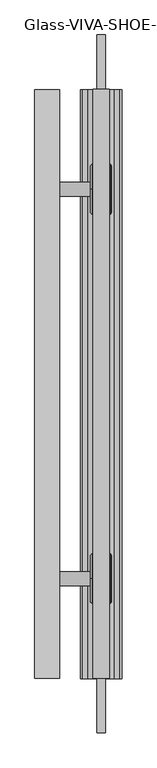
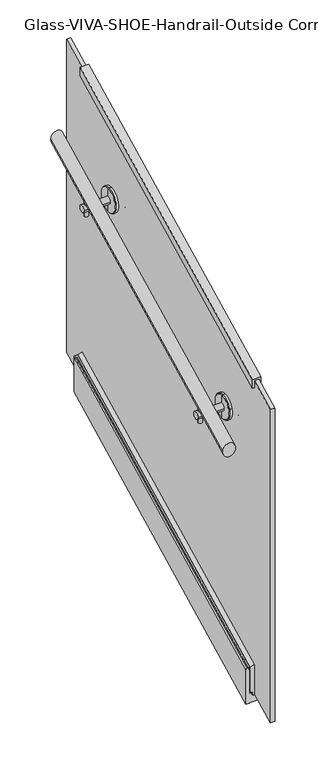
"""IFC4 building model written with IfcOpenShell, lengths in millimetres: railing geometry, Glass-VIVA-SHOE-Handrail-Outside Corner."""

from ifc_helpers import new_model, si_unit, point, frame, frame_2d, origin, place, context, project, spatial, polyline, circle_curve, ellipse_curve, trimmed, segment, composite_curve, outline, extrude, faceted_brep, source, transform, mapped, element, save
from ifc_brep_helpers import plane_surface, cylinder_surface, revolved_surface, advanced_brep


def glass_viva_shoe_handrail_outside_corner_ea27aaab(model_context):
    return source(origin(), model_context, "Body", "SolidModel", [
        advanced_brep(
        [(-7963.1514824, 587.324143, -311.9922533), (-7953.6264824, 587.324143, -311.9922533), (-7953.6264824, 587.324143, -310.2173743), (-7909.1764824, 587.324143, -310.2173743), (-7909.1764824, 587.324143, -311.9922533), (-7899.6514824, 587.324143, -311.9922533), (-7899.6514824, 587.324143, -201.9497579), (-7902.8264824, 587.324143, -198.4), (-7910.7639824, 587.324143, -198.4), (-7910.7639824, 587.324143, -201.9497579), (-7910.7639824, 587.324143, -205.4995158), (-7910.7639824, 587.324143, -280.044432), (-7918.7014824, 587.324143, -280.044432), (-7918.7014824, 587.324143, -287.1439479), (-7921.8764824, 587.324143, -290.6937058), (-7940.9264824, 587.324143, -290.6937058), (-7944.1014824, 587.324143, -287.1439479), (-7944.1014824, 587.324143, -280.044432), (-7952.0389824, 587.324143, -280.044432), (-7952.0389824, 587.324143, -205.4995158), (-7952.0389824, 587.324143, -201.9497579), (-7952.0389824, 587.324143, -198.4), (-7959.9764824, 587.324143, -198.4), (-7963.1514824, 587.324143, -201.9497579), (-7963.1514824, 1487.324143, 138.0077467), (-7963.1514824, 1487.324143, 248.0502421), (-7959.9764824, 1487.324143, 251.6), (-7952.0389824, 1487.324143, 251.6), (-7952.0389824, 1487.324143, 248.0502421), (-7952.0389824, 1487.324143, 244.5004842), (-7952.0389824, 1487.324143, 169.955568), (-7944.1014824, 1487.324143, 169.955568), (-7944.1014824, 1487.324143, 162.8560521), (-7940.9264824, 1487.324143, 159.3062942), (-7921.8764824, 1487.324143, 159.3062942), (-7918.7014824, 1487.324143, 162.8560521), (-7918.7014824, 1487.324143, 169.955568), (-7910.7639824, 1487.324143, 169.955568), (-7910.7639824, 1487.324143, 244.5004842), (-7910.7639824, 1487.324143, 248.0502421), (-7910.7639824, 1487.324143, 251.6), (-7902.8264824, 1487.324143, 251.6), (-7899.6514824, 1487.324143, 248.0502421), (-7899.6514824, 1487.324143, 138.0077467), (-7909.1764824, 1487.324143, 138.0077467), (-7909.1764824, 1487.324143, 139.7826257), (-7953.6264824, 1487.324143, 139.7826257), (-7953.6264824, 1487.324143, 138.0077467)],
        [
            (0, 1),
            (1, 2),
            (2, 3),
            (3, 4),
            (4, 5),
            (5, 6),
            (6, 7, ellipse_curve(frame((-7902.8264824, 587.324143, -201.9497579), z_axis=(0.0, -1.0, 0.0), x_axis=(0.0, 0.0, -1.0)), 3.5497579, 3.175)),
            (7, 8),
            (8, 9),
            (9, 10, ellipse_curve(frame((-7910.7639824, 587.324143, -203.7246369), z_axis=(0.0, 1.0, 0.0), x_axis=(0.0, 0.0, 1.0)), 1.774879, 1.5875)),
            (10, 11),
            (11, 12),
            (12, 13),
            (13, 14, ellipse_curve(frame((-7921.8764824, 587.324143, -287.1439479), z_axis=(0.0, 1.0, 0.0), x_axis=(0.0, 0.0, 1.0)), 3.5497579, 3.175)),
            (14, 15),
            (15, 16, ellipse_curve(frame((-7940.9264824, 587.324143, -287.1439479), z_axis=(0.0, 1.0, 0.0), x_axis=(0.0, 0.0, 1.0)), 3.5497579, 3.175)),
            (16, 17),
            (17, 18),
            (18, 19),
            (19, 20, ellipse_curve(frame((-7952.0389824, 587.324143, -203.7246369), z_axis=(0.0, 1.0, 0.0), x_axis=(0.0, 0.0, 1.0)), 1.774879, 1.5875)),
            (20, 21),
            (21, 22),
            (22, 23, ellipse_curve(frame((-7959.9764824, 587.324143, -201.9497579), z_axis=(0.0, -1.0, 0.0), x_axis=(0.0, 0.0, -1.0)), 3.5497579, 3.175)),
            (23, 0),
            (24, 25),
            (25, 26, ellipse_curve(frame((-7959.9764824, 1487.324143, 248.0502421), z_axis=(0.0, 1.0, 0.0), x_axis=(0.0, 0.0, -1.0)), 3.5497579, 3.175)),
            (26, 27),
            (27, 28),
            (28, 29, ellipse_curve(frame((-7952.0389824, 1487.324143, 246.2753631), z_axis=(0.0, -1.0, 0.0), x_axis=(0.0, 0.0, 1.0)), 1.774879, 1.5875)),
            (29, 30),
            (30, 31),
            (31, 32),
            (32, 33, ellipse_curve(frame((-7940.9264824, 1487.324143, 162.8560521), z_axis=(0.0, -1.0, 0.0), x_axis=(0.0, 0.0, 1.0)), 3.5497579, 3.175)),
            (33, 34),
            (34, 35, ellipse_curve(frame((-7921.8764824, 1487.324143, 162.8560521), z_axis=(0.0, -1.0, 0.0), x_axis=(0.0, 0.0, 1.0)), 3.5497579, 3.175)),
            (35, 36),
            (36, 37),
            (37, 38),
            (38, 39, ellipse_curve(frame((-7910.7639824, 1487.324143, 246.2753631), z_axis=(0.0, -1.0, 0.0), x_axis=(0.0, 0.0, 1.0)), 1.774879, 1.5875)),
            (39, 40),
            (40, 41),
            (41, 42, ellipse_curve(frame((-7902.8264824, 1487.324143, 248.0502421), z_axis=(0.0, 1.0, 0.0), x_axis=(0.0, 0.0, -1.0)), 3.5497579, 3.175)),
            (42, 43),
            (43, 44),
            (44, 45),
            (45, 46),
            (46, 47),
            (47, 24),
            (0, 24),
            (47, 1),
            (46, 2),
            (45, 3),
            (44, 4),
            (43, 5),
            (42, 6),
            (41, 7),
            (40, 8),
            (39, 9),
            (38, 10),
            (37, 11),
            (36, 12),
            (35, 13),
            (34, 14),
            (33, 15),
            (32, 16),
            (31, 17),
            (30, 18),
            (29, 19),
            (28, 20),
            (27, 21),
            (26, 22),
            (25, 23),
        ],
        [
            plane_surface(frame((-7931.4014824, 587.324143, -198.4), z_axis=(0.0, -1.0, 0.0), x_axis=(0.0, 0.0, 1.0))),
            plane_surface(frame((-7931.4014824, 1487.324143, 251.6), z_axis=(0.0, 1.0, 0.0), x_axis=(0.0, 0.0, 1.0))),
            plane_surface(frame((-7963.1514824, 587.324143, -311.9922533), z_axis=(0.0, 0.447213595499958, -0.894427190999916), x_axis=(0.0, 0.894427190999916, 0.447213595499958))),
            plane_surface(frame((-7953.6264824, 587.324143, -311.9922533), z_axis=(1.0000000000000002, 0.0, 0.0), x_axis=(0.0, 0.894427190999916, 0.447213595499958))),
            plane_surface(frame((-7953.6264824, 587.324143, -310.2173743), z_axis=(0.0, 0.447213595499958, -0.894427190999916), x_axis=(0.0, 0.894427190999916, 0.447213595499958))),
            plane_surface(frame((-7909.1764824, 587.324143, -310.2173743), z_axis=(-1.0000000000000002, 0.0, 0.0), x_axis=(0.0, 0.894427190999916, 0.447213595499958))),
            plane_surface(frame((-7909.1764824, 587.324143, -311.9922533), z_axis=(0.0, 0.447213595499958, -0.894427190999916), x_axis=(0.0, 0.894427190999916, 0.447213595499958))),
            plane_surface(frame((-7899.6514824, 587.324143, -311.9922533), z_axis=(1.0000000000000002, 0.0, 0.0), x_axis=(0.0, 0.894427190999916, 0.447213595499958))),
            cylinder_surface(frame((-7902.8264824, 588.7440462, -201.2398063), z_axis=(0.0, -0.894427190999916, -0.447213595499958), x_axis=(-1.0, 0.0, 0.0)), 3.175),
            plane_surface(frame((-7902.8264824, 587.324143, -198.4), z_axis=(0.0, -0.447213595499958, 0.894427190999916), x_axis=(0.0, 0.894427190999916, 0.447213595499958))),
            plane_surface(frame((-7910.7639824, 587.324143, -198.4), z_axis=(-1.0000000000000002, 0.0, 0.0), x_axis=(0.0, 0.894427190999916, 0.447213595499958))),
            revolved_surface(polyline([(-7912.351482399999, 1488.0340946000001, 246.6303389000001), (-7912.351482399999, 586.6141914, -204.07961269999998)]), (-7910.7639824, 589.4539978, -202.6597095), (0.0, 0.894427190999916, 0.447213595499958)),
            plane_surface(frame((-7910.7639824, 587.324143, -205.4995158), z_axis=(-1.0000000000000002, 0.0, 0.0), x_axis=(0.0, 0.894427190999916, 0.447213595499958))),
            plane_surface(frame((-7910.7639824, 587.324143, -280.044432), z_axis=(0.0, -0.447213595499958, 0.894427190999916), x_axis=(0.0, 0.894427190999916, 0.447213595499958))),
            plane_surface(frame((-7918.7014824, 587.324143, -280.044432), z_axis=(-1.0000000000000002, 0.0, 0.0), x_axis=(0.0, 0.894427190999916, 0.447213595499958))),
            revolved_surface(polyline([(-7925.0514824, 1488.7440461600002, 163.5660036800001), (-7925.0514824, 585.9042398400001, -287.85389947999994)]), (-7921.8764824, 622.8217222, -269.3951583), (0.0, 0.894427190999916, 0.447213595499958)),
            plane_surface(frame((-7921.8764824, 587.324143, -290.6937058), z_axis=(0.0, -0.447213595499958, 0.894427190999916), x_axis=(0.0, 0.894427190999916, 0.447213595499958))),
            revolved_surface(polyline([(-7937.7514824, 1488.7440461600002, 163.5660036800001), (-7937.7514824, 585.9042398400001, -287.85389947999994)]), (-7940.9264824, 622.8217222, -269.3951583), (0.0, 0.894427190999916, 0.447213595499958)),
            plane_surface(frame((-7944.1014824, 587.324143, -287.1439479), z_axis=(1.0000000000000002, 0.0, 0.0), x_axis=(0.0, 0.894427190999916, 0.447213595499958))),
            plane_surface(frame((-7944.1014824, 587.324143, -280.044432), z_axis=(0.0, -0.447213595499958, 0.894427190999916), x_axis=(0.0, 0.894427190999916, 0.447213595499958))),
            plane_surface(frame((-7952.0389824, 587.324143, -280.044432), z_axis=(1.0000000000000002, 0.0, 0.0), x_axis=(0.0, 0.894427190999916, 0.447213595499958))),
            revolved_surface(polyline([(-7950.451482400001, 1488.0340946000001, 246.6303389000001), (-7950.451482400001, 586.6141914, -204.07961269999998)]), (-7952.0389824, 589.4539978, -202.6597095), (0.0, 0.894427190999916, 0.447213595499958)),
            plane_surface(frame((-7952.0389824, 587.324143, -201.9497579), z_axis=(1.0000000000000002, 0.0, 0.0), x_axis=(0.0, 0.894427190999916, 0.447213595499958))),
            plane_surface(frame((-7952.0389824, 587.324143, -198.4), z_axis=(0.0, -0.447213595499958, 0.894427190999916), x_axis=(0.0, 0.894427190999916, 0.447213595499958))),
            cylinder_surface(frame((-7959.9764824, 588.7440462, -201.2398063), z_axis=(0.0, -0.894427190999916, -0.447213595499958), x_axis=(1.0, 0.0, 0.0)), 3.175),
            plane_surface(frame((-7963.1514824, 587.324143, -201.9497579), z_axis=(-1.0000000000000002, 0.0, 0.0), x_axis=(0.0, 0.894427190999916, 0.4472135954999579))),
        ],
        [
            (0, [[1, 2, 3, 4, 5, 6, 7, 8, 9, 10, 11, 12, 13, 14, 15, 16, 17, 18, 19, 20, 21, 22, 23, 24]]),
            (1, [[25, 26, 27, 28, 29, 30, 31, 32, 33, 34, 35, 36, 37, 38, 39, 40, 41, 42, 43, 44, 45, 46, 47, 48]]),
            (2, [[-1, 49, -48, 50]]),
            (3, [[-2, -50, -47, 51]]),
            (4, [[-3, -51, -46, 52]]),
            (5, [[-4, -52, -45, 53]]),
            (6, [[-5, -53, -44, 54]]),
            (7, [[-6, -54, -43, 55]]),
            (8, [[-7, -55, -42, 56]]),
            (9, [[-8, -56, -41, 57]]),
            (10, [[-9, -57, -40, 58]]),
            (11, [[-10, -58, -39, 59]]),
            (12, [[-11, -59, -38, 60]]),
            (13, [[-12, -60, -37, 61]]),
            (14, [[-13, -61, -36, 62]]),
            (15, [[-14, -62, -35, 63]]),
            (16, [[-15, -63, -34, 64]]),
            (17, [[-16, -64, -33, 65]]),
            (18, [[-17, -65, -32, 66]]),
            (19, [[-18, -66, -31, 67]]),
            (20, [[-19, -67, -30, 68]]),
            (21, [[-20, -68, -29, 69]]),
            (22, [[-21, -69, -28, 70]]),
            (23, [[-22, -70, -27, 71]]),
            (24, [[-23, -71, -26, 72]]),
            (25, [[-24, -72, -25, -49]]),
        ],
    ),
        advanced_brep(
        [(-7910.7639824, 587.324143, -280.044432), (-7910.7639824, 587.324143, -205.4995158), (-7910.7639824, 587.324143, -201.9497579), (-7910.7639824, 587.324143, -198.4), (-7925.0514824, 587.324143, -194.8502421), (-7925.0514824, 587.324143, -287.1439479), (-7937.7514824, 587.324143, -287.1439479), (-7937.7514824, 587.324143, -194.8502421), (-7952.0389824, 587.324143, -198.4), (-7952.0389824, 587.324143, -201.9497579), (-7952.0389824, 587.324143, -205.4995158), (-7952.0389824, 587.324143, -280.044432), (-7944.1014824, 587.324143, -280.044432), (-7944.1014824, 587.324143, -290.6937058), (-7918.7014824, 587.324143, -290.6937058), (-7918.7014824, 587.324143, -280.044432), (-7910.7639824, 1487.324143, 169.955568), (-7918.7014824, 1487.324143, 169.955568), (-7918.7014824, 1487.324143, 159.3062942), (-7944.1014824, 1487.324143, 159.3062942), (-7944.1014824, 1487.324143, 169.955568), (-7952.0389824, 1487.324143, 169.955568), (-7952.0389824, 1487.324143, 244.5004842), (-7952.0389824, 1487.324143, 248.0502421), (-7952.0389824, 1487.324143, 251.6), (-7937.7514824, 1487.324143, 255.1497579), (-7937.7514824, 1487.324143, 162.8560521), (-7925.0514824, 1487.324143, 162.8560521), (-7925.0514824, 1487.324143, 255.1497579), (-7910.7639824, 1487.324143, 251.6), (-7910.7639824, 1487.324143, 248.0502421), (-7910.7639824, 1487.324143, 244.5004842)],
        [
            (0, 1),
            (1, 2, ellipse_curve(frame((-7910.7639824, 587.324143, -203.7246369), z_axis=(0.0, -1.0, 0.0), x_axis=(0.0, 0.0, -1.0)), 1.774879, 1.5875)),
            (2, 3),
            (3, 4),
            (4, 5),
            (5, 6),
            (6, 7),
            (7, 8),
            (8, 9),
            (9, 10, ellipse_curve(frame((-7952.0389824, 587.324143, -203.7246369), z_axis=(0.0, -1.0, 0.0), x_axis=(0.0, 0.0, -1.0)), 1.774879, 1.5875)),
            (10, 11),
            (11, 12),
            (12, 13),
            (13, 14),
            (14, 15),
            (15, 0),
            (16, 17),
            (17, 18),
            (18, 19),
            (19, 20),
            (20, 21),
            (21, 22),
            (22, 23, ellipse_curve(frame((-7952.0389824, 1487.324143, 246.2753631), z_axis=(0.0, 1.0, 0.0), x_axis=(0.0, 0.0, -1.0)), 1.774879, 1.5875)),
            (23, 24),
            (24, 25),
            (25, 26),
            (26, 27),
            (27, 28),
            (28, 29),
            (29, 30),
            (30, 31, ellipse_curve(frame((-7910.7639824, 1487.324143, 246.2753631), z_axis=(0.0, 1.0, 0.0), x_axis=(0.0, 0.0, -1.0)), 1.774879, 1.5875)),
            (31, 16),
            (0, 16),
            (31, 1),
            (30, 2),
            (29, 3),
            (28, 4),
            (27, 5),
            (26, 6),
            (25, 7),
            (24, 8),
            (23, 9),
            (22, 10),
            (21, 11),
            (20, 12),
            (19, 13),
            (18, 14),
            (17, 15),
        ],
        [
            plane_surface(frame((-7931.4014824, 587.324143, -198.4), z_axis=(0.0, -1.0, 0.0), x_axis=(0.0, 0.0, 1.0))),
            plane_surface(frame((-7931.4014824, 1487.324143, 251.6), z_axis=(0.0, 1.0, 0.0), x_axis=(0.0, 0.0, 1.0))),
            plane_surface(frame((-7910.7639824, 587.324143, -280.044432), z_axis=(1.0000000000000002, 0.0, 0.0), x_axis=(0.0, 0.894427190999916, 0.447213595499958))),
            cylinder_surface(frame((-7910.7639824, 589.4539978, -202.6597095), z_axis=(0.0, -0.894427190999916, -0.447213595499958), x_axis=(-1.0, 0.0, 0.0)), 1.5875),
            plane_surface(frame((-7910.7639824, 587.324143, -201.9497579), z_axis=(1.0000000000000002, 0.0, 0.0), x_axis=(0.0, 0.894427190999916, 0.447213595499958))),
            plane_surface(frame((-7910.7639824, 587.324143, -198.4), z_axis=(0.21693045781865475, -0.43656412506539977, 0.873128250130799), x_axis=(0.0, 0.894427190999916, 0.447213595499958))),
            plane_surface(frame((-7925.0514824, 587.324143, -194.8502421), z_axis=(-1.0000000000000002, 0.0, 0.0), x_axis=(0.0, 0.894427190999916, 0.447213595499958))),
            plane_surface(frame((-7925.0514824, 587.324143, -287.1439479), z_axis=(0.0, -0.447213595499958, 0.894427190999916), x_axis=(0.0, 0.894427190999916, 0.447213595499958))),
            plane_surface(frame((-7937.7514824, 587.324143, -287.1439479), z_axis=(1.0000000000000002, 0.0, 0.0), x_axis=(0.0, 0.894427190999916, 0.447213595499958))),
            plane_surface(frame((-7937.7514824, 587.324143, -194.8502421), z_axis=(-0.21693045781865583, -0.4365641250653992, 0.873128250130799), x_axis=(0.0, 0.894427190999916, 0.447213595499958))),
            plane_surface(frame((-7952.0389824, 587.324143, -198.4), z_axis=(-1.0000000000000002, 0.0, 0.0), x_axis=(0.0, 0.894427190999916, 0.447213595499958))),
            cylinder_surface(frame((-7952.0389824, 589.4539978, -202.6597095), z_axis=(0.0, -0.894427190999916, -0.447213595499958), x_axis=(1.0, 0.0, 0.0)), 1.5875),
            plane_surface(frame((-7952.0389824, 587.324143, -205.4995158), z_axis=(-1.0000000000000002, 0.0, 0.0), x_axis=(0.0, 0.894427190999916, 0.447213595499958))),
            plane_surface(frame((-7952.0389824, 587.324143, -280.044432), z_axis=(0.0, 0.447213595499958, -0.894427190999916), x_axis=(0.0, 0.894427190999916, 0.447213595499958))),
            plane_surface(frame((-7944.1014824, 587.324143, -280.044432), z_axis=(-1.0000000000000002, 0.0, 0.0), x_axis=(0.0, 0.894427190999916, 0.447213595499958))),
            plane_surface(frame((-7944.1014824, 587.324143, -290.6937058), z_axis=(0.0, 0.447213595499958, -0.894427190999916), x_axis=(0.0, 0.894427190999916, 0.447213595499958))),
            plane_surface(frame((-7918.7014824, 587.324143, -290.6937058), z_axis=(1.0000000000000002, 0.0, 0.0), x_axis=(0.0, 0.894427190999916, 0.447213595499958))),
            plane_surface(frame((-7918.7014824, 587.324143, -280.044432), z_axis=(0.0, 0.447213595499958, -0.894427190999916), x_axis=(0.0, 0.894427190999916, 0.447213595499958))),
        ],
        [
            (0, [[1, 2, 3, 4, 5, 6, 7, 8, 9, 10, 11, 12, 13, 14, 15, 16]]),
            (1, [[17, 18, 19, 20, 21, 22, 23, 24, 25, 26, 27, 28, 29, 30, 31, 32]]),
            (2, [[-1, 33, -32, 34]]),
            (3, [[-2, -34, -31, 35]]),
            (4, [[-3, -35, -30, 36]]),
            (5, [[-4, -36, -29, 37]]),
            (6, [[-5, -37, -28, 38]]),
            (7, [[-6, -38, -27, 39]]),
            (8, [[-7, -39, -26, 40]]),
            (9, [[-8, -40, -25, 41]]),
            (10, [[-9, -41, -24, 42]]),
            (11, [[-10, -42, -23, 43]]),
            (12, [[-11, -43, -22, 44]]),
            (13, [[-12, -44, -21, 45]]),
            (14, [[-13, -45, -20, 46]]),
            (15, [[-14, -46, -19, 47]]),
            (16, [[-15, -47, -18, 48]]),
            (17, [[-16, -48, -17, -33]]),
        ],
    ),
        advanced_brep(
        [(-8033.0014824, 587.324143, 516.9014525), (-7994.9014824, 587.324143, 516.9014525), (-8033.0014824, 1487.324143, 966.9014525), (-7994.9014824, 1487.324143, 966.9014525)],
        [
            (0, 1, ellipse_curve(frame((-8013.9514824, 587.324143, 516.9014525), z_axis=(0.0, -1.0, 0.0), x_axis=(0.0, 0.0, -1.0)), 21.2985475, 19.05)),
            (1, 0, ellipse_curve(frame((-8013.9514824, 587.324143, 516.9014525), z_axis=(0.0, -1.0, 0.0), x_axis=(0.0, 0.0, -1.0)), 21.2985475, 19.05)),
            (2, 3, ellipse_curve(frame((-8013.9514824, 1487.324143, 966.9014525), z_axis=(0.0, 1.0, 0.0), x_axis=(0.0, 0.0, -1.0)), 21.2985475, 19.05)),
            (3, 2, ellipse_curve(frame((-8013.9514824, 1487.324143, 966.9014525), z_axis=(0.0, 1.0, 0.0), x_axis=(0.0, 0.0, -1.0)), 21.2985475, 19.05)),
            (0, 2),
            (3, 1),
        ],
        [
            plane_surface(frame((-8013.9514824, 587.324143, 538.2), z_axis=(0.0, -1.0, 0.0), x_axis=(0.0, 0.0, 1.0))),
            plane_surface(frame((-8013.9514824, 1487.324143, 988.2), z_axis=(0.0, 1.0, 0.0), x_axis=(0.0, 0.0, 1.0))),
            cylinder_surface(frame((-8013.9514824, 595.843562, 521.161162), z_axis=(0.0, -0.894427190999916, -0.4472135954999579), x_axis=(1.0, 0.0, 0.0)), 19.05),
        ],
        [
            (0, [[1, 2]]),
            (1, [[3, 4]]),
            (2, [[-1, 5, -4, 6]]),
            (2, [[-2, -6, -3, -5]]),
        ],
    ),
        faceted_brep([(-7944.1014824, 587.324143, 716.0), (-7944.1014824, 587.324143, 687.6019367), (-7937.7514824, 587.324143, 687.6019367), (-7937.7514824, 587.324143, 710.6753631), (-7925.0514824, 587.324143, 710.6753631), (-7925.0514824, 587.324143, 687.6019367), (-7918.7014824, 587.324143, 687.6019367), (-7918.7014824, 587.324143, 716.0), (-7944.1014824, 1487.324143, 1166.0), (-7918.7014824, 1487.324143, 1166.0), (-7918.7014824, 1487.324143, 1137.6019367), (-7925.0514824, 1487.324143, 1137.6019367), (-7925.0514824, 1487.324143, 1160.6753631), (-7937.7514824, 1487.324143, 1160.6753631), (-7937.7514824, 1487.324143, 1137.6019367), (-7944.1014824, 1487.324143, 1137.6019367)], [[[0, 1, 2, 3, 4, 5, 6, 7]], [[8, 9, 10, 11, 12, 13, 14, 15]], [[1, 0, 8, 15]], [[2, 1, 15, 14]], [[3, 2, 14, 13]], [[4, 3, 13, 12]], [[5, 4, 12, 11]], [[6, 5, 11, 10]], [[7, 6, 10, 9]], [[0, 7, 9, 8]]]),
        extrude(outline(polyline([(1570.724143, 204.5560521), (503.924143, -328.8439479), (503.924143, 668.9753631), (1570.724143, 1202.3753631), (1570.724143, 204.5560521)])), frame((-7937.7514824, 0.0, 0.0), z_axis=(1.0, 0.0, 0.0), x_axis=(0.0, 1.0, 0.0)), (0.0, 0.0, 1.0), 12.7),
        extrude(outline(composite_curve([segment(trimmed(circle_curve(frame_2d((-8013.9514824, 1334.924143)), 5.953125), [point((-8007.9983574, 1334.924143))], [point((-8019.9046074, 1334.924143))], False, "CARTESIAN"), True, "CONTINUOUS"), segment(trimmed(circle_curve(frame_2d((-8013.9514824, 1334.924143)), 5.953125), [point((-8019.9046074, 1334.924143))], [point((-8007.9983574, 1334.924143))], False, "CARTESIAN"), True, "CONTINUOUS")], self_intersect=False)), frame((0.0, 0.0, 810.4), z_axis=(0.0, 0.0, 1.0), x_axis=(1.0, 0.0, 0.0)), (0.0, 0.0, 1.0), 76.2),
        extrude(outline(composite_curve([segment(trimmed(circle_curve(frame_2d((1334.924143, 835.8)), 11.0132813), [point((1345.9374243, 835.8))], [point((1323.9108618, 835.8))], False, "CARTESIAN"), True, "CONTINUOUS"), segment(trimmed(circle_curve(frame_2d((1334.924143, 835.8)), 11.0132813), [point((1323.9108618, 835.8))], [point((1345.9374243, 835.8))], False, "CARTESIAN"), True, "CONTINUOUS")], self_intersect=False)), frame((-8026.6514824, 0.0, 0.0), z_axis=(1.0, 0.0, 0.0), x_axis=(0.0, 1.0, 0.0)), (0.0, 0.0, 1.0), 79.2757812),
        advanced_brep(
        [(-7915.4272636, 1334.924143, 835.8), (-7915.4272636, 1334.924143, 871.915625), (-7915.4272636, 1334.924143, 799.684375), (-7947.3757011, 1334.924143, 799.684375), (-7947.3757011, 1334.924143, 871.915625), (-7947.3757011, 1334.924143, 835.8), (-7945.3913261, 1334.924143, 797.7), (-7945.3913261, 1334.924143, 873.9), (-7937.7514824, 1334.924143, 797.7), (-7937.7514824, 1334.924143, 873.9), (-7937.7514824, 1334.924143, 823.1), (-7937.7514824, 1334.924143, 848.5), (-7925.0514824, 1334.924143, 823.1), (-7925.0514824, 1334.924143, 848.5), (-7925.0514824, 1334.924143, 797.7), (-7925.0514824, 1334.924143, 873.9), (-7917.4116386, 1334.924143, 797.7), (-7917.4116386, 1334.924143, 873.9)],
        [
            (0, 1),
            (1, 2, circle_curve(frame((-7915.4272636, 1334.924143, 835.8), z_axis=(1.0, 0.0, 0.0), x_axis=(0.0, 0.0, 1.0)), 36.115625)),
            (2, 0),
            (2, 1, circle_curve(frame((-7915.4272636, 1334.924143, 835.8), z_axis=(1.0, 0.0, 0.0), x_axis=(0.0, 0.0, 1.0)), 36.115625)),
            (3, 4, circle_curve(frame((-7947.3757011, 1334.924143, 835.8), z_axis=(-1.0, 0.0, 0.0), x_axis=(0.0, 0.0, 1.0)), 36.115625)),
            (4, 5),
            (5, 3),
            (4, 3, circle_curve(frame((-7947.3757011, 1334.924143, 835.8), z_axis=(-1.0, 0.0, 0.0), x_axis=(0.0, 0.0, 1.0)), 36.115625)),
            (6, 7, circle_curve(frame((-7945.3913261, 1334.924143, 835.8), z_axis=(-1.0, 0.0, 0.0), x_axis=(0.0, 0.0, 1.0)), 38.1)),
            (7, 4),
            (3, 6),
            (7, 6, circle_curve(frame((-7945.3913261, 1334.924143, 835.8), z_axis=(-1.0, 0.0, 0.0), x_axis=(0.0, 0.0, 1.0)), 38.1)),
            (8, 9, circle_curve(frame((-7937.7514824, 1334.924143, 835.8), z_axis=(-1.0, 0.0, 0.0), x_axis=(0.0, 0.0, 1.0)), 38.1)),
            (9, 7),
            (6, 8),
            (9, 8, circle_curve(frame((-7937.7514824, 1334.924143, 835.8), z_axis=(-1.0, 0.0, 0.0), x_axis=(0.0, 0.0, 1.0)), 38.1)),
            (10, 11, circle_curve(frame((-7937.7514824, 1334.924143, 835.8), z_axis=(-1.0, 0.0, 0.0), x_axis=(0.0, 0.0, 1.0)), 12.7)),
            (11, 9),
            (8, 10),
            (11, 10, circle_curve(frame((-7937.7514824, 1334.924143, 835.8), z_axis=(-1.0, 0.0, 0.0), x_axis=(0.0, 0.0, 1.0)), 12.7)),
            (12, 13, circle_curve(frame((-7925.0514824, 1334.924143, 835.8), z_axis=(-1.0, 0.0, 0.0), x_axis=(0.0, 0.0, 1.0)), 12.7)),
            (13, 11),
            (10, 12),
            (13, 12, circle_curve(frame((-7925.0514824, 1334.924143, 835.8), z_axis=(-1.0, 0.0, 0.0), x_axis=(0.0, 0.0, 1.0)), 12.7)),
            (14, 15, circle_curve(frame((-7925.0514824, 1334.924143, 835.8), z_axis=(-1.0, 0.0, 0.0), x_axis=(0.0, 0.0, 1.0)), 38.1)),
            (15, 13),
            (12, 14),
            (15, 14, circle_curve(frame((-7925.0514824, 1334.924143, 835.8), z_axis=(-1.0, 0.0, 0.0), x_axis=(0.0, 0.0, 1.0)), 38.1)),
            (16, 17, circle_curve(frame((-7917.4116386, 1334.924143, 835.8), z_axis=(-1.0, 0.0, 0.0), x_axis=(0.0, 0.0, 1.0)), 38.1)),
            (17, 15),
            (14, 16),
            (17, 16, circle_curve(frame((-7917.4116386, 1334.924143, 835.8), z_axis=(-1.0, 0.0, 0.0), x_axis=(0.0, 0.0, 1.0)), 38.1)),
            (1, 17),
            (16, 2),
        ],
        [
            plane_surface(frame((-7915.4272636, 1334.924143, 835.8), z_axis=(1.0, 0.0, 0.0), x_axis=(0.0, 0.0, 1.0))),
            plane_surface(frame((-7947.3757011, 1334.924143, 835.8), z_axis=(-1.0, 0.0, 0.0), x_axis=(0.0, 0.0, 1.0))),
            revolved_surface(polyline([(-7947.3757011, 1334.924143, 871.915625), (-7945.3913261, 1334.924143, 873.9)]), (-7879.3116386, 1334.924143, 835.8), (1.0, 0.0, 0.0)),
            cylinder_surface(frame((-7879.3116386, 1334.924143, 835.8), z_axis=(1.0, 0.0, 0.0), x_axis=(0.0, 0.0, 1.0)), 38.1),
            plane_surface(frame((-7937.7514824, 1334.924143, 835.8), z_axis=(1.0, 0.0, 0.0), x_axis=(0.0, 0.0, 1.0))),
            cylinder_surface(frame((-7879.3116386, 1334.924143, 835.8), z_axis=(1.0, 0.0, 0.0), x_axis=(0.0, 0.0, 1.0)), 12.7),
            plane_surface(frame((-7925.0514824, 1334.924143, 835.8), z_axis=(-1.0, 0.0, 0.0), x_axis=(0.0, 0.0, 1.0))),
            revolved_surface(polyline([(-7917.4116386, 1334.924143, 873.9), (-7915.4272636, 1334.924143, 871.915625)]), (-7879.3116386, 1334.924143, 835.8), (1.0, 0.0, 0.0)),
        ],
        [
            (0, [[1, 2, 3]]),
            (0, [[-3, 4, -1]]),
            (1, [[5, 6, 7]]),
            (1, [[8, -7, -6]]),
            (2, [[9, 10, -5, 11]]),
            (2, [[12, -11, -8, -10]]),
            (3, [[13, 14, -9, 15]]),
            (3, [[16, -15, -12, -14]]),
            (4, [[17, 18, -13, 19]]),
            (4, [[20, -19, -16, -18]]),
            (5, [[21, 22, -17, 23]]),
            (5, [[24, -23, -20, -22]]),
            (6, [[25, 26, -21, 27]]),
            (6, [[28, -27, -24, -26]]),
            (3, [[29, 30, -25, 31]]),
            (3, [[32, -31, -28, -30]]),
            (7, [[-2, 33, -29, 34]]),
            (7, [[-4, -34, -32, -33]]),
        ],
    ),
        extrude(outline(composite_curve([segment(trimmed(circle_curve(frame_2d((-8013.9514824, 739.724143)), 5.953125), [point((-8007.9983574, 739.724143))], [point((-8019.9046074, 739.724143))], False, "CARTESIAN"), True, "CONTINUOUS"), segment(trimmed(circle_curve(frame_2d((-8013.9514824, 739.724143)), 5.953125), [point((-8019.9046074, 739.724143))], [point((-8007.9983574, 739.724143))], False, "CARTESIAN"), True, "CONTINUOUS")], self_intersect=False)), frame((0.0, 0.0, 512.8), z_axis=(0.0, 0.0, 1.0), x_axis=(1.0, 0.0, 0.0)), (0.0, 0.0, 1.0), 76.2),
        extrude(outline(composite_curve([segment(trimmed(circle_curve(frame_2d((739.724143, 538.2)), 11.0132813), [point((750.7374243, 538.2))], [point((728.7108618, 538.2))], False, "CARTESIAN"), True, "CONTINUOUS"), segment(trimmed(circle_curve(frame_2d((739.724143, 538.2)), 11.0132813), [point((728.7108618, 538.2))], [point((750.7374243, 538.2))], False, "CARTESIAN"), True, "CONTINUOUS")], self_intersect=False)), frame((-8026.6514824, 0.0, 0.0), z_axis=(1.0, 0.0, 0.0), x_axis=(0.0, 1.0, 0.0)), (0.0, 0.0, 1.0), 79.2757812),
        advanced_brep(
        [(-7915.4272636, 739.724143, 538.2), (-7915.4272636, 739.724143, 574.315625), (-7915.4272636, 739.724143, 502.084375), (-7947.3757011, 739.724143, 502.084375), (-7947.3757011, 739.724143, 574.315625), (-7947.3757011, 739.724143, 538.2), (-7945.3913261, 739.724143, 500.1), (-7945.3913261, 739.724143, 576.3), (-7937.7514824, 739.724143, 500.1), (-7937.7514824, 739.724143, 576.3), (-7937.7514824, 739.724143, 525.5), (-7937.7514824, 739.724143, 550.9), (-7925.0514824, 739.724143, 525.5), (-7925.0514824, 739.724143, 550.9), (-7925.0514824, 739.724143, 500.1), (-7925.0514824, 739.724143, 576.3), (-7917.4116386, 739.724143, 500.1), (-7917.4116386, 739.724143, 576.3)],
        [
            (0, 1),
            (1, 2, circle_curve(frame((-7915.4272636, 739.724143, 538.2), z_axis=(1.0, 0.0, 0.0), x_axis=(0.0, 0.0, 1.0)), 36.115625)),
            (2, 0),
            (2, 1, circle_curve(frame((-7915.4272636, 739.724143, 538.2), z_axis=(1.0, 0.0, 0.0), x_axis=(0.0, 0.0, 1.0)), 36.115625)),
            (3, 4, circle_curve(frame((-7947.3757011, 739.724143, 538.2), z_axis=(-1.0, 0.0, 0.0), x_axis=(0.0, 0.0, 1.0)), 36.115625)),
            (4, 5),
            (5, 3),
            (4, 3, circle_curve(frame((-7947.3757011, 739.724143, 538.2), z_axis=(-1.0, 0.0, 0.0), x_axis=(0.0, 0.0, 1.0)), 36.115625)),
            (6, 7, circle_curve(frame((-7945.3913261, 739.724143, 538.2), z_axis=(-1.0, 0.0, 0.0), x_axis=(0.0, 0.0, 1.0)), 38.1)),
            (7, 4),
            (3, 6),
            (7, 6, circle_curve(frame((-7945.3913261, 739.724143, 538.2), z_axis=(-1.0, 0.0, 0.0), x_axis=(0.0, 0.0, 1.0)), 38.1)),
            (8, 9, circle_curve(frame((-7937.7514824, 739.724143, 538.2), z_axis=(-1.0, 0.0, 0.0), x_axis=(0.0, 0.0, 1.0)), 38.1)),
            (9, 7),
            (6, 8),
            (9, 8, circle_curve(frame((-7937.7514824, 739.724143, 538.2), z_axis=(-1.0, 0.0, 0.0), x_axis=(0.0, 0.0, 1.0)), 38.1)),
            (10, 11, circle_curve(frame((-7937.7514824, 739.724143, 538.2), z_axis=(-1.0, 0.0, 0.0), x_axis=(0.0, 0.0, 1.0)), 12.7)),
            (11, 9),
            (8, 10),
            (11, 10, circle_curve(frame((-7937.7514824, 739.724143, 538.2), z_axis=(-1.0, 0.0, 0.0), x_axis=(0.0, 0.0, 1.0)), 12.7)),
            (12, 13, circle_curve(frame((-7925.0514824, 739.724143, 538.2), z_axis=(-1.0, 0.0, 0.0), x_axis=(0.0, 0.0, 1.0)), 12.7)),
            (13, 11),
            (10, 12),
            (13, 12, circle_curve(frame((-7925.0514824, 739.724143, 538.2), z_axis=(-1.0, 0.0, 0.0), x_axis=(0.0, 0.0, 1.0)), 12.7)),
            (14, 15, circle_curve(frame((-7925.0514824, 739.724143, 538.2), z_axis=(-1.0, 0.0, 0.0), x_axis=(0.0, 0.0, 1.0)), 38.1)),
            (15, 13),
            (12, 14),
            (15, 14, circle_curve(frame((-7925.0514824, 739.724143, 538.2), z_axis=(-1.0, 0.0, 0.0), x_axis=(0.0, 0.0, 1.0)), 38.1)),
            (16, 17, circle_curve(frame((-7917.4116386, 739.724143, 538.2), z_axis=(-1.0, 0.0, 0.0), x_axis=(0.0, 0.0, 1.0)), 38.1)),
            (17, 15),
            (14, 16),
            (17, 16, circle_curve(frame((-7917.4116386, 739.724143, 538.2), z_axis=(-1.0, 0.0, 0.0), x_axis=(0.0, 0.0, 1.0)), 38.1)),
            (1, 17),
            (16, 2),
        ],
        [
            plane_surface(frame((-7915.4272636, 739.724143, 538.2), z_axis=(1.0, 0.0, 0.0), x_axis=(0.0, 0.0, 1.0))),
            plane_surface(frame((-7947.3757011, 739.724143, 538.2), z_axis=(-1.0, 0.0, 0.0), x_axis=(0.0, 0.0, 1.0))),
            revolved_surface(polyline([(-7947.3757011, 739.724143, 574.315625), (-7945.3913261, 739.724143, 576.3)]), (-7879.3116386, 739.724143, 538.2), (1.0, 0.0, 0.0)),
            cylinder_surface(frame((-7879.3116386, 739.724143, 538.2), z_axis=(1.0, 0.0, 0.0), x_axis=(0.0, 0.0, 1.0)), 38.1),
            plane_surface(frame((-7937.7514824, 739.724143, 538.2), z_axis=(1.0, 0.0, 0.0), x_axis=(0.0, 0.0, 1.0))),
            cylinder_surface(frame((-7879.3116386, 739.724143, 538.2), z_axis=(1.0, 0.0, 0.0), x_axis=(0.0, 0.0, 1.0)), 12.7),
            plane_surface(frame((-7925.0514824, 739.724143, 538.2), z_axis=(-1.0, 0.0, 0.0), x_axis=(0.0, 0.0, 1.0))),
            revolved_surface(polyline([(-7917.4116386, 739.724143, 576.3), (-7915.4272636, 739.724143, 574.315625)]), (-7879.3116386, 739.724143, 538.2), (1.0, 0.0, 0.0)),
        ],
        [
            (0, [[1, 2, 3]]),
            (0, [[-3, 4, -1]]),
            (1, [[5, 6, 7]]),
            (1, [[8, -7, -6]]),
            (2, [[9, 10, -5, 11]]),
            (2, [[12, -11, -8, -10]]),
            (3, [[13, 14, -9, 15]]),
            (3, [[16, -15, -12, -14]]),
            (4, [[17, 18, -13, 19]]),
            (4, [[20, -19, -16, -18]]),
            (5, [[21, 22, -17, 23]]),
            (5, [[24, -23, -20, -22]]),
            (6, [[25, 26, -21, 27]]),
            (6, [[28, -27, -24, -26]]),
            (3, [[29, 30, -25, 31]]),
            (3, [[32, -31, -28, -30]]),
            (7, [[-2, 33, -29, 34]]),
            (7, [[-4, -34, -32, -33]]),
        ],
    ),
    ])


if __name__ == "__main__":
    model = new_model("IFC4")
    model_context = context("Model", 3, world=origin())
    ifc_project = project(units=[si_unit("LENGTHUNIT", "METRE", prefix="MILLI")], contexts=[model_context])
    site = spatial("IfcSite", under=ifc_project)
    building = spatial("IfcBuilding", under=site)
    placement = place(None, origin())
    glass_viva_shoe_handrail_outside_corner_shape = glass_viva_shoe_handrail_outside_corner_ea27aaab(model_context)
    element("IfcRailing", 1, ObjectType="Glass-VIVA-SHOE-Handrail-Outside Corner", at=placement, inside=building, context=model_context, shape_type="MappedRepresentation", body=[
        mapped(glass_viva_shoe_handrail_outside_corner_shape, transform((0.0, 0.0, 0.0), x_axis=(1.0, 0.0, 0.0), y_axis=(0.0, 1.0, 0.0), z_axis=(0.0, 0.0, 1.0))),
    ])
    save(model, "model.ifc")
